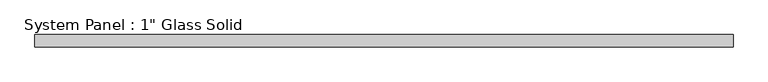
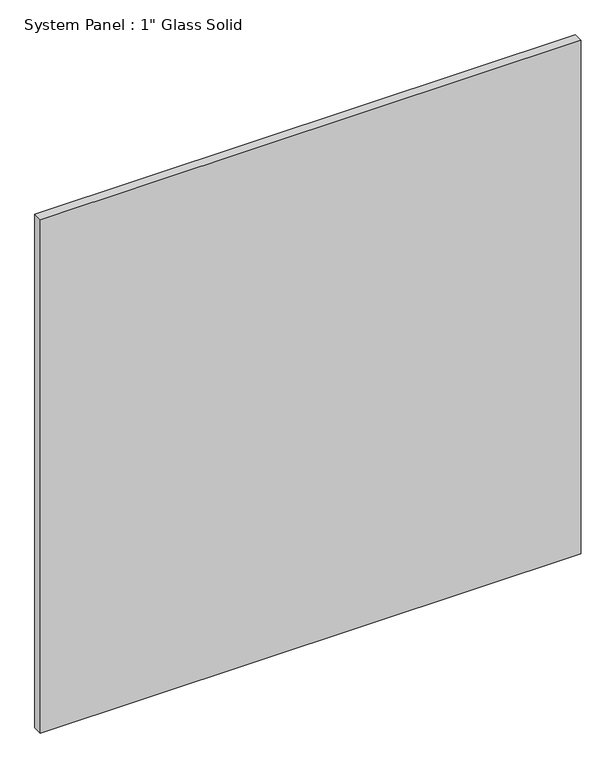
"""IFC4 building model written with IfcOpenShell, lengths in millimetres: plate geometry."""

from ifc_helpers import new_model, si_unit, origin, origin_with_axes, place, context, project, spatial, polyline, outline, extrude, source, transform, mapped, element, save


def plate_506ae24b(model_context):
    return source(origin(), model_context, "Body", "SweptSolid", [
        extrude(outline(polyline([(720.7764199, -12.7), (-720.7764199, -12.7), (-720.7764199, 12.7), (720.7764199, 12.7), (720.7764199, -12.7)])), origin_with_axes(), (0.0, 0.0, 1.0), 1446.5317704),
    ])


if __name__ == "__main__":
    model = new_model("IFC4")
    model_context = context("Model", 3, world=origin())
    ifc_project = project(units=[si_unit("LENGTHUNIT", "METRE", prefix="MILLI")], contexts=[model_context])
    site = spatial("IfcSite", under=ifc_project)
    building = spatial("IfcBuilding", under=site)
    placement = place(None, origin())
    plate_shape = plate_506ae24b(model_context)
    element("IfcPlate", 1, ObjectType="System Panel : 1\" Glass Solid", at=placement, inside=building, context=model_context, shape_type="MappedRepresentation", body=[
        mapped(plate_shape, transform((0.0, 0.0, 0.0), x_axis=(1.0, 0.0, 0.0), y_axis=(0.0, 1.0, 0.0), z_axis=(0.0, 0.0, 1.0))),
    ])
    save(model, "model.ifc")
